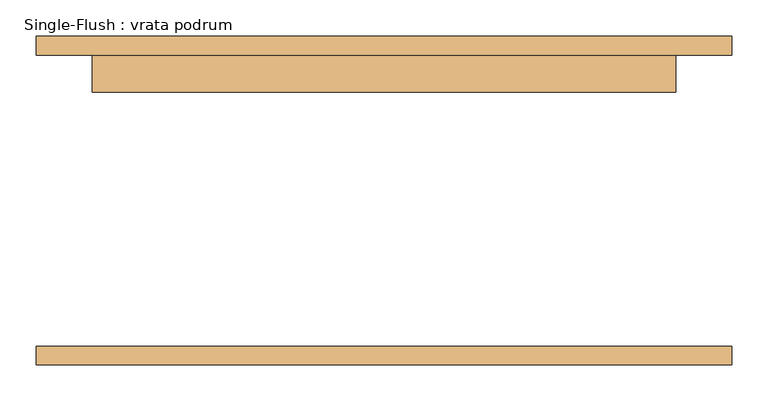
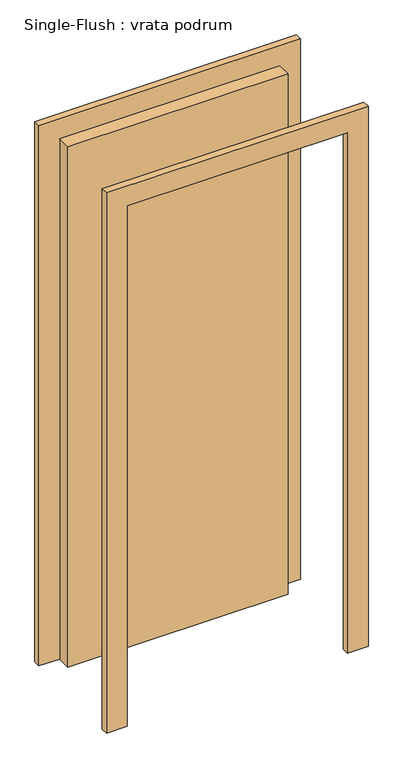
"""IFC4 building model written with IfcOpenShell, lengths in millimetres: door geometry, Single-Flush : vrata podrum."""

from ifc_helpers import new_model, si_unit, frame, origin, origin_with_axes, place, context, project, spatial, polyline, outline, extrude, source, transform, mapped, element, save


def single_flush_vrata_podrum_692fd464(model_context):
    return source(origin(), model_context, "Body", "SweptSolid", [
        extrude(outline(polyline([(2076.2, -476.2), (0.0, -476.2), (0.0, -400.0), (2000.0, -400.0), (2000.0, 400.0), (0.0, 400.0), (0.0, 476.2), (2076.2, 476.2), (2076.2, -476.2)])), frame((0.0, 200.0, 0.0), z_axis=(0.0, 1.0, 0.0), x_axis=(0.0, 0.0, 1.0)), (0.0, 0.0, 1.0), 25.4),
        extrude(outline(polyline([(2076.2, 476.2), (2076.2, -476.2), (0.0, -476.2), (0.0, -400.0), (2000.0, -400.0), (2000.0, 400.0), (0.0, 400.0), (0.0, 476.2), (2076.2, 476.2)])), frame((0.0, -225.4, 0.0), z_axis=(0.0, 1.0, 0.0), x_axis=(0.0, 0.0, 1.0)), (0.0, 0.0, 1.0), 25.4),
        extrude(outline(polyline([(400.0, 149.2), (-400.0, 149.2), (-400.0, 200.0), (400.0, 200.0), (400.0, 149.2)])), origin_with_axes(), (0.0, 0.0, 1.0), 2000.0),
    ])


if __name__ == "__main__":
    model = new_model("IFC4")
    model_context = context("Model", 3, world=origin())
    ifc_project = project(units=[si_unit("LENGTHUNIT", "METRE", prefix="MILLI")], contexts=[model_context])
    site = spatial("IfcSite", under=ifc_project)
    building = spatial("IfcBuilding", under=site)
    placement = place(None, origin())
    single_flush_vrata_podrum_shape = single_flush_vrata_podrum_692fd464(model_context)
    element("IfcDoor", 1, ObjectType="Single-Flush : vrata podrum", at=placement, inside=building, context=model_context, shape_type="MappedRepresentation", body=[
        mapped(single_flush_vrata_podrum_shape, transform((0.0, 0.0, 0.0), x_axis=(1.0, 0.0, 0.0), y_axis=(0.0, 1.0, 0.0), z_axis=(0.0, 0.0, 1.0))),
    ])
    save(model, "model.ifc")
